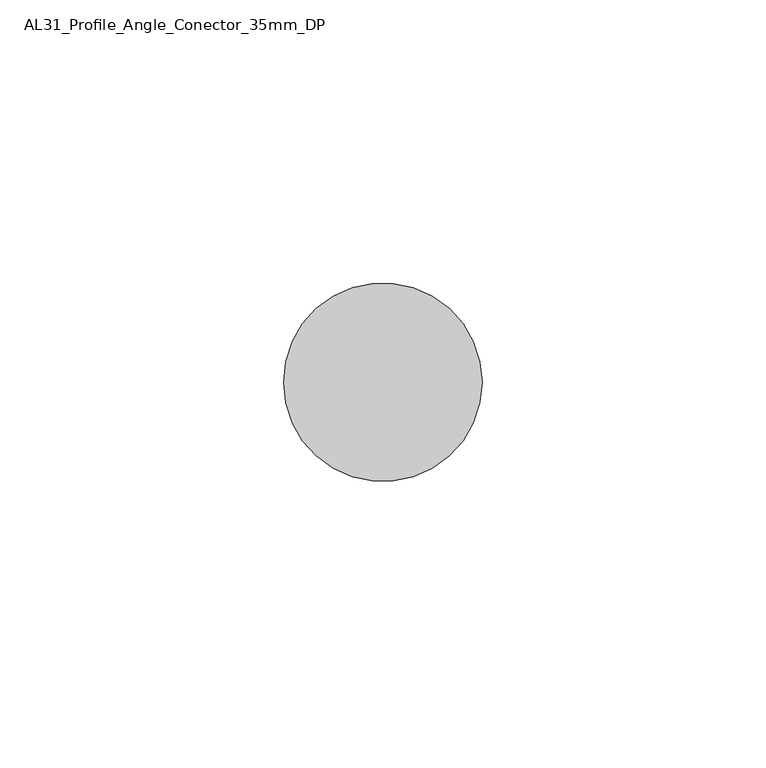
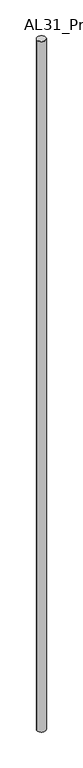
"""IFC4 building model written with IfcOpenShell, lengths in millimetres: member geometry, AL31_Profile_Angle_Conector_35mm_DP."""

from ifc_helpers import new_model, si_unit, point, frame, frame_2d, origin, place, context, project, spatial, circle_curve, trimmed, segment, composite_curve, outline, extrude, source, transform, mapped, element, save


def al31_profile_angle_conector_35mm_dp_0b0f92b9(model_context):
    return source(origin(), model_context, "Body", "SweptSolid", [
        extrude(outline(composite_curve([segment(trimmed(circle_curve(frame_2d((-17.5, 19.857)), 17.5), [point((-35.0, 19.857))], [point((0.0, 19.857))], False, "CARTESIAN"), True, "CONTINUOUS"), segment(trimmed(circle_curve(frame_2d((-17.5, 19.857)), 17.5), [point((0.0, 19.857))], [point((-35.0, 19.857))], False, "CARTESIAN"), True, "CONTINUOUS")], self_intersect=False)), frame((0.0, 0.0, -3000.0), z_axis=(0.0, 0.0, 1.0), x_axis=(1.0, 0.0, 0.0)), (0.0, 0.0, 1.0), 3000.0),
    ])


if __name__ == "__main__":
    model = new_model("IFC4")
    model_context = context("Model", 3, world=origin())
    ifc_project = project(units=[si_unit("LENGTHUNIT", "METRE", prefix="MILLI")], contexts=[model_context])
    site = spatial("IfcSite", under=ifc_project)
    building = spatial("IfcBuilding", under=site)
    placement = place(None, origin())
    al31_profile_angle_conector_35mm_dp_shape = al31_profile_angle_conector_35mm_dp_0b0f92b9(model_context)
    element("IfcMember", 1, ObjectType="AL31_Profile_Angle_Conector_35mm_DP", at=placement, inside=building, context=model_context, shape_type="MappedRepresentation", body=[
        mapped(al31_profile_angle_conector_35mm_dp_shape, transform((0.0, 0.0, 0.0), x_axis=(1.0, 0.0, 0.0), y_axis=(0.0, 1.0, 0.0), z_axis=(0.0, 0.0, 1.0))),
    ])
    save(model, "model.ifc")
